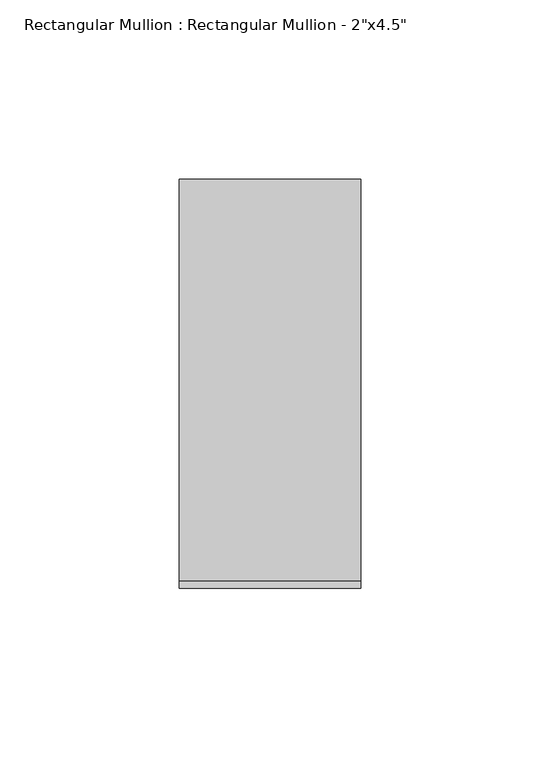
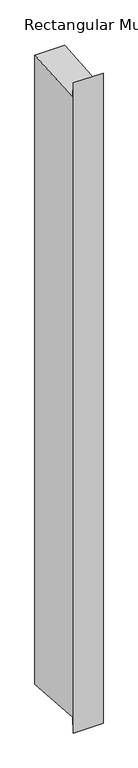
"""IFC4 building model written with IfcOpenShell, lengths in millimetres: member geometry."""

from ifc_helpers import new_model, si_unit, frame, origin, place, context, project, spatial, polyline, outline, extrude, source, transform, mapped, element, save


def member_ea77ef0e(model_context):
    return source(origin(), model_context, "Body", "SweptSolid", [
        extrude(outline(polyline([(-57.15, 23.2378153), (-55.0674329, -4.2455786), (57.15, 4.25775), (57.15, -1135.681786), (-55.0674329, -1127.1784574), (-57.15, -1154.6618513), (-57.15, 23.2378153)])), frame((-50.8, 0.0, 0.0), z_axis=(1.0, 0.0, 0.0), x_axis=(0.0, 1.0, 0.0)), (0.0, 0.0, 1.0), 50.8),
    ])


if __name__ == "__main__":
    model = new_model("IFC4")
    model_context = context("Model", 3, world=origin())
    ifc_project = project(units=[si_unit("LENGTHUNIT", "METRE", prefix="MILLI")], contexts=[model_context])
    site = spatial("IfcSite", under=ifc_project)
    building = spatial("IfcBuilding", under=site)
    placement = place(None, origin())
    member_shape = member_ea77ef0e(model_context)
    element("IfcMember", 1, ObjectType="Rectangular Mullion : Rectangular Mullion - 2\"x4.5\"", at=placement, inside=building, context=model_context, shape_type="MappedRepresentation", body=[
        mapped(member_shape, transform((0.0, 0.0, 0.0), x_axis=(1.0, 0.0, 0.0), y_axis=(0.0, 1.0, 0.0), z_axis=(0.0, 0.0, 1.0))),
    ])
    save(model, "model.ifc")
